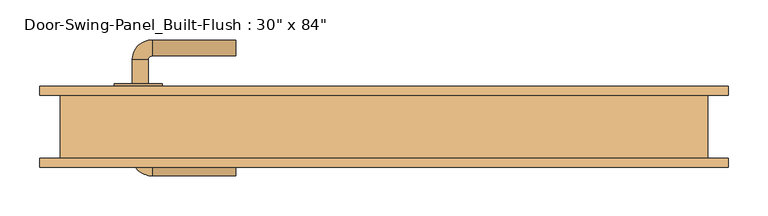
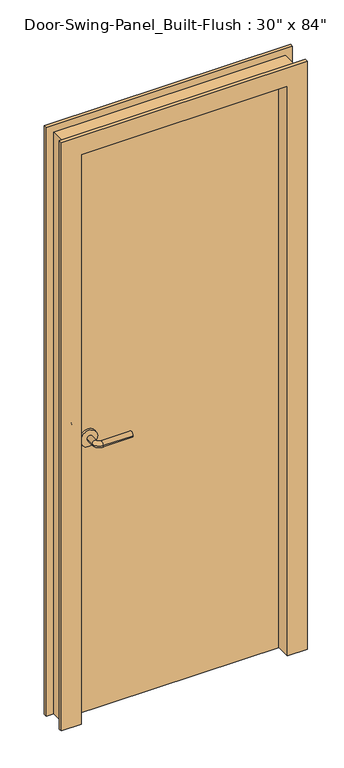
"""IFC4 building model written with IfcOpenShell, lengths in millimetres: door geometry."""

from ifc_helpers import new_model, si_unit, point, frame, frame_2d, origin, origin_with_axes, place, context, project, spatial, polyline, circle_curve, ellipse_curve, trimmed, segment, composite_curve, outline, extrude, faceted_brep, source, transform, mapped, element, save
from ifc_brep_helpers import plane_surface, cylinder_surface, revolved_surface, advanced_brep


def door_bf132097(model_context):
    return source(origin(), model_context, "Body", "SolidModel", [
        advanced_brep(
        [(-315.990625, -0.0623368, 1016.0), (-295.990625, -0.0623368, 1016.0), (-295.990625, -30.0623368, 1016.0), (-315.990625, -30.0623368, 1016.0), (-290.990625, -35.0623368, 1016.0), (-290.990625, -55.0623368, 1016.0), (-185.990625, -55.0623368, 1016.0), (-185.990625, -35.0623368, 1016.0)],
        [
            (0, 1, circle_curve(frame((-305.990625, -0.0623368, 1016.0), z_axis=(0.0, 1.0, 0.0), x_axis=(1.0, 0.0, 0.0)), 10.0)),
            (1, 0, circle_curve(frame((-305.990625, -0.0623368, 1016.0), z_axis=(0.0, 1.0, 0.0), x_axis=(1.0, 0.0, 0.0)), 10.0)),
            (1, 2),
            (2, 3, circle_curve(frame((-305.990625, -30.0623368, 1016.0), z_axis=(0.0, 1.0, 0.0), x_axis=(1.0, 0.0, 0.0)), 10.0)),
            (3, 0),
            (3, 2, circle_curve(frame((-305.990625, -30.0623368, 1016.0), z_axis=(0.0, 1.0, 0.0), x_axis=(1.0, 0.0, 0.0)), 10.0)),
            (4, 5, circle_curve(frame((-290.990625, -45.0623368, 1016.0), z_axis=(-1.0, 0.0, 0.0), x_axis=(0.0, 1.0, 0.0)), 10.0)),
            (5, 3, circle_curve(frame((-290.990625, -30.0623368, 1016.0), z_axis=(0.0, 0.0, -1.0), x_axis=(-1.0, 0.0, 0.0)), 25.0)),
            (2, 4, circle_curve(frame((-290.990625, -30.0623368, 1016.0), z_axis=(0.0, 0.0, 1.0), x_axis=(-1.0, 0.0, 0.0)), 5.0)),
            (5, 4, circle_curve(frame((-290.990625, -45.0623368, 1016.0), z_axis=(-1.0, 0.0, 0.0), x_axis=(0.0, 1.0, 0.0)), 10.0)),
            (6, 7, circle_curve(frame((-185.990625, -45.0623368, 1016.0), z_axis=(1.0, 0.0, 0.0), x_axis=(0.0, 1.0, 0.0)), 10.0)),
            (7, 6, circle_curve(frame((-185.990625, -45.0623368, 1016.0), z_axis=(1.0, 0.0, 0.0), x_axis=(0.0, 1.0, 0.0)), 10.0)),
            (4, 7),
            (6, 5),
        ],
        [
            plane_surface(frame((-305.990625, -0.0623368, 1016.0), z_axis=(0.0, 1.0, 0.0), x_axis=(0.0, 0.0, 1.0))),
            cylinder_surface(frame((-305.990625, -0.0623368, 1016.0), z_axis=(0.0, 1.0, 0.0), x_axis=(1.0, 0.0, 0.0)), 10.0),
            revolved_surface(trimmed(ellipse_curve(frame((-305.990625, -30.0623368, 1016.0), z_axis=(0.0, -1.0, 0.0), x_axis=(1.0, 0.0, 0.0)), 10.0, 10.0), [point((-315.990625, -30.0623368, 1016.0))], [point((-295.990625, -30.0623368, 1016.0))], True, "CARTESIAN"), (-290.990625, -30.0623368, 1016.0), (0.0, 0.0, -1.0)),
            revolved_surface(trimmed(ellipse_curve(frame((-305.990625, -30.0623368, 1016.0), z_axis=(0.0, -1.0, 0.0), x_axis=(1.0, 0.0, 0.0)), 10.0, 10.0), [point((-295.990625, -30.0623368, 1016.0))], [point((-315.990625, -30.0623368, 1016.0))], True, "CARTESIAN"), (-290.990625, -30.0623368, 1016.0), (0.0, 0.0, -1.0)),
            plane_surface(frame((-185.990625, -45.0623368, 1016.0), z_axis=(1.0, 0.0, 0.0), x_axis=(0.0, 0.0, 1.0))),
            cylinder_surface(frame((-290.990625, -45.0623368, 1016.0), z_axis=(-1.0, 0.0, 0.0), x_axis=(0.0, 1.0, 0.0)), 10.0),
        ],
        [
            (0, [[1, 2]]),
            (1, [[3, 4, 5, -2]]),
            (1, [[-5, 6, -3, -1]]),
            (2, [[7, 8, -4, 9]]),
            (3, [[10, -9, -6, -8]]),
            (4, [[11, 12]]),
            (5, [[13, -11, 14, -7]]),
            (5, [[-14, -12, -13, -10]]),
        ],
    ),
        extrude(outline(composite_curve([segment(trimmed(circle_curve(frame_2d((1016.0, -308.490625)), 30.0), [point((1016.0, -338.490625))], [point((1016.0, -278.490625))], False, "CARTESIAN"), True, "CONTINUOUS"), segment(trimmed(circle_curve(frame_2d((1016.0, -308.490625)), 30.0), [point((1016.0, -278.490625))], [point((1016.0, -338.490625))], False, "CARTESIAN"), True, "CONTINUOUS")], self_intersect=False)), frame((0.0, -0.0623368, 0.0), z_axis=(0.0, 1.0, 0.0), x_axis=(0.0, 0.0, 1.0)), (0.0, 0.0, 1.0), 8.0),
        advanced_brep(
        [(-315.990625, 60.3876632, 1016.0), (-295.990625, 60.3876632, 1016.0), (-315.990625, 90.3876632, 1016.0), (-295.990625, 90.3876632, 1016.0), (-290.990625, 95.3876632, 1016.0), (-290.990625, 115.3876632, 1016.0), (-185.990625, 115.3876632, 1016.0), (-185.990625, 95.3876632, 1016.0)],
        [
            (0, 1, circle_curve(frame((-305.990625, 60.3876632, 1016.0), z_axis=(0.0, -1.0, 0.0), x_axis=(1.0, 0.0, 0.0)), 10.0)),
            (1, 0, circle_curve(frame((-305.990625, 60.3876632, 1016.0), z_axis=(0.0, -1.0, 0.0), x_axis=(1.0, 0.0, 0.0)), 10.0)),
            (0, 2),
            (2, 3, circle_curve(frame((-305.990625, 90.3876632, 1016.0), z_axis=(0.0, -1.0, 0.0), x_axis=(1.0, 0.0, 0.0)), 10.0)),
            (3, 1),
            (3, 2, circle_curve(frame((-305.990625, 90.3876632, 1016.0), z_axis=(0.0, -1.0, 0.0), x_axis=(1.0, 0.0, 0.0)), 10.0)),
            (4, 3, circle_curve(frame((-290.990625, 90.3876632, 1016.0), z_axis=(0.0, 0.0, 1.0), x_axis=(-1.0, 0.0, 0.0)), 5.0)),
            (2, 5, circle_curve(frame((-290.990625, 90.3876632, 1016.0), z_axis=(0.0, 0.0, -1.0), x_axis=(-1.0, 0.0, 0.0)), 25.0)),
            (5, 4, circle_curve(frame((-290.990625, 105.3876632, 1016.0), z_axis=(-1.0, 0.0, 0.0), x_axis=(0.0, -1.0, 0.0)), 10.0)),
            (4, 5, circle_curve(frame((-290.990625, 105.3876632, 1016.0), z_axis=(-1.0, 0.0, 0.0), x_axis=(0.0, -1.0, 0.0)), 10.0)),
            (6, 7, circle_curve(frame((-185.990625, 105.3876632, 1016.0), z_axis=(1.0, 0.0, 0.0), x_axis=(0.0, -1.0, 0.0)), 10.0)),
            (7, 6, circle_curve(frame((-185.990625, 105.3876632, 1016.0), z_axis=(1.0, 0.0, 0.0), x_axis=(0.0, -1.0, 0.0)), 10.0)),
            (5, 6),
            (7, 4),
        ],
        [
            plane_surface(frame((-305.990625, 60.3876632, 1016.0), z_axis=(0.0, -1.0, 0.0), x_axis=(0.0, 0.0, 1.0))),
            cylinder_surface(frame((-305.990625, 60.3876632, 1016.0), z_axis=(0.0, -1.0, 0.0), x_axis=(1.0, 0.0, 0.0)), 10.0),
            revolved_surface(trimmed(ellipse_curve(frame((-305.990625, 90.3876632, 1016.0), z_axis=(0.0, -1.0, 0.0), x_axis=(1.0, 0.0, 0.0)), 10.0, 10.0), [point((-315.990625, 90.3876632, 1016.0))], [point((-295.990625, 90.3876632, 1016.0))], True, "CARTESIAN"), (-290.990625, 90.3876632, 1016.0), (0.0, 0.0, -1.0)),
            revolved_surface(trimmed(ellipse_curve(frame((-305.990625, 90.3876632, 1016.0), z_axis=(0.0, -1.0, 0.0), x_axis=(1.0, 0.0, 0.0)), 10.0, 10.0), [point((-295.990625, 90.3876632, 1016.0))], [point((-315.990625, 90.3876632, 1016.0))], True, "CARTESIAN"), (-290.990625, 90.3876632, 1016.0), (0.0, 0.0, -1.0)),
            plane_surface(frame((-185.990625, 105.3876632, 1016.0), z_axis=(1.0, 0.0, 0.0), x_axis=(0.0, 0.0, 1.0))),
            cylinder_surface(frame((-290.990625, 105.3876632, 1016.0), z_axis=(-1.0, 0.0, 0.0), x_axis=(0.0, -1.0, 0.0)), 10.0),
        ],
        [
            (0, [[1, 2]]),
            (1, [[-1, 3, 4, 5]]),
            (1, [[-2, -5, 6, -3]]),
            (2, [[7, -4, 8, 9]]),
            (3, [[-8, -6, -7, 10]]),
            (4, [[11, 12]]),
            (5, [[-9, 13, -12, 14]]),
            (5, [[-10, -14, -11, -13]]),
        ],
    ),
        extrude(outline(composite_curve([segment(trimmed(circle_curve(frame_2d((1016.0, -308.490625)), 30.0), [point((1016.0, -338.490625))], [point((1016.0, -278.490625))], False, "CARTESIAN"), True, "CONTINUOUS"), segment(trimmed(circle_curve(frame_2d((1016.0, -308.490625)), 30.0), [point((1016.0, -278.490625))], [point((1016.0, -338.490625))], False, "CARTESIAN"), True, "CONTINUOUS")], self_intersect=False)), frame((0.0, 52.3876632, 0.0), z_axis=(0.0, 1.0, 0.0), x_axis=(0.0, 0.0, 1.0)), (0.0, 0.0, 1.0), 8.0),
        faceted_brep([(381.0, 57.1501632, 0.0), (431.8, 57.1501632, 0.0), (431.8, 46.0375, 0.0), (406.4, 46.0375, 0.0), (406.4, -33.3375, 0.0), (431.8, -33.3375, 0.0), (431.8, -44.4498368, 0.0), (361.95, -44.4498368, 0.0), (361.95, 7.9376632, 0.0), (381.0, 7.9376632, 0.0), (381.0, 57.1501632, 2133.6), (-381.0, 57.1501632, 2133.6), (-381.0, 57.1501632, 0.0), (-431.8, 57.1501632, 0.0), (-431.8, 57.1501632, 2184.4), (431.8, 57.1501632, 2184.4), (431.8, 46.0375, 2184.4), (-431.8, 46.0375, 2184.4), (-431.8, 46.0375, 0.0), (-406.4, 46.0375, 0.0), (-406.4, 46.0375, 2159.0), (406.4, 46.0375, 2159.0), (406.4, -33.3375, 2159.0), (-406.4, -33.3375, 2159.0), (-406.4, -33.3375, 0.0), (-431.8, -33.3375, 0.0), (-431.8, -33.3375, 2184.4), (431.8, -33.3375, 2184.4), (431.8, -44.4498368, 2184.4), (-431.8, -44.4498368, 2184.4), (-431.8, -44.4498368, 0.0), (-361.95, -44.4498368, 0.0), (-361.95, -44.4498368, 2114.55), (361.95, -44.4498368, 2114.55), (361.95, 7.9376632, 2114.55), (-361.95, 7.9376632, 2114.55), (-361.95, 7.9376632, 0.0), (-381.0, 7.9376632, 0.0), (-381.0, 7.9376632, 2133.6), (381.0, 7.9376632, 2133.6)], [[[0, 1, 2, 3, 4, 5, 6, 7, 8, 9]], [[1, 0, 10, 11, 12, 13, 14, 15]], [[2, 1, 15, 16]], [[3, 2, 16, 17, 18, 19, 20, 21]], [[4, 3, 21, 22]], [[5, 4, 22, 23, 24, 25, 26, 27]], [[6, 5, 27, 28]], [[7, 6, 28, 29, 30, 31, 32, 33]], [[8, 7, 33, 34]], [[9, 8, 34, 35, 36, 37, 38, 39]], [[0, 9, 39, 10]], [[11, 38, 37, 12]], [[12, 37, 36, 31, 30, 25, 24, 19, 18, 13]], [[17, 14, 13, 18]], [[23, 20, 19, 24]], [[29, 26, 25, 30]], [[35, 32, 31, 36]], [[16, 15, 14, 17]], [[22, 21, 20, 23]], [[28, 27, 26, 29]], [[34, 33, 32, 35]], [[10, 39, 38, 11]]]),
        extrude(outline(polyline([(381.0, 7.9376632), (-381.0, 7.9376632), (-381.0, 52.3876632), (381.0, 52.3876632), (381.0, 7.9376632)])), origin_with_axes(), (0.0, 0.0, 1.0), 2133.6),
    ])


if __name__ == "__main__":
    model = new_model("IFC4")
    model_context = context("Model", 3, world=origin())
    ifc_project = project(units=[si_unit("LENGTHUNIT", "METRE", prefix="MILLI")], contexts=[model_context])
    site = spatial("IfcSite", under=ifc_project)
    building = spatial("IfcBuilding", under=site)
    placement = place(None, origin())
    door_shape = door_bf132097(model_context)
    element("IfcDoor", 1, ObjectType="Door-Swing-Panel_Built-Flush : 30\" x 84\"", at=placement, inside=building, context=model_context, shape_type="MappedRepresentation", body=[
        mapped(door_shape, transform((0.0, 0.0, 0.0), x_axis=(1.0, 0.0, 0.0), y_axis=(0.0, 1.0, 0.0), z_axis=(0.0, 0.0, 1.0))),
    ])
    save(model, "model.ifc")
